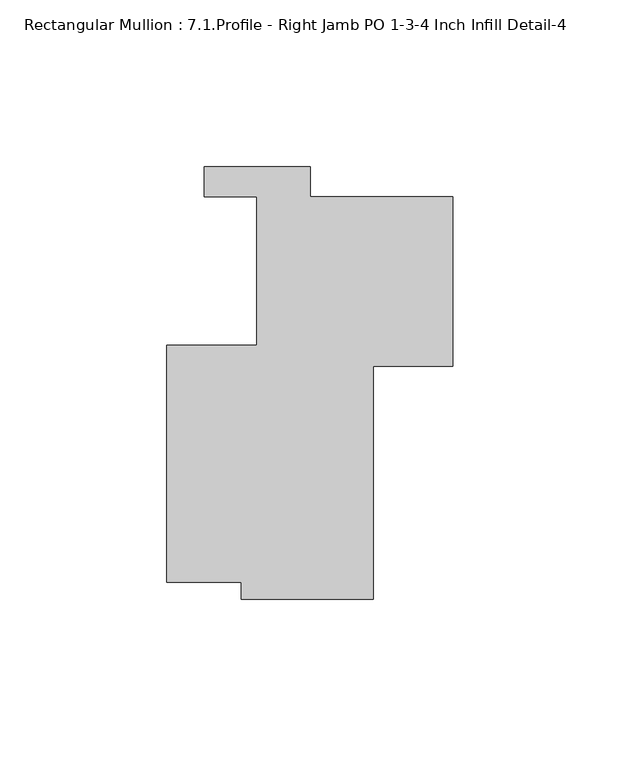
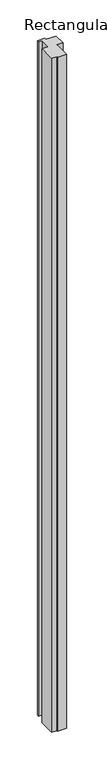
"""IFC4 building model written with IfcOpenShell, lengths in millimetres: member geometry, Rectangular Mullion : 7.1.Profile - Right Jamb PO 1-3-4 Inch Infill Detail-4."""

from ifc_helpers import new_model, si_unit, frame, origin, place, context, project, spatial, polyline, outline, extrude, source, transform, mapped, element, save


def rectangular_mullion_7_1_profile_right_jamb_po_1_3_4_inch_86f258b2(model_context):
    return source(origin(), model_context, "Body", "SweptSolid", [
        extrude(outline(polyline([(-63.4873, -11.5569999), (-85.7123, -11.5569999), (-85.7123, 59.563), (-58.7248005, 59.563), (-58.7248005, 104.0129999), (-74.5584685, 104.0129999), (-74.5584685, 112.9792001), (-42.8084685, 112.9792001), (-42.8084685, 104.013), (0.0, 104.013), (0.0, 53.213), (-23.7998, 53.213), (-23.7998, -16.6409664), (-63.4873, -16.6409664), (-63.4873, -11.5569999)])), frame((0.0, 0.0, -3048.0), z_axis=(0.0, 0.0, 1.0), x_axis=(1.0, 0.0, 0.0)), (0.0, 0.0, 1.0), 3048.0),
    ])


if __name__ == "__main__":
    model = new_model("IFC4")
    model_context = context("Model", 3, world=origin())
    ifc_project = project(units=[si_unit("LENGTHUNIT", "METRE", prefix="MILLI")], contexts=[model_context])
    site = spatial("IfcSite", under=ifc_project)
    building = spatial("IfcBuilding", under=site)
    placement = place(None, origin())
    rectangular_mullion_7_1_profile_right_jamb_po_1_3_4_inch_shape = rectangular_mullion_7_1_profile_right_jamb_po_1_3_4_inch_86f258b2(model_context)
    element("IfcMember", 1, ObjectType="Rectangular Mullion : 7.1.Profile - Right Jamb PO 1-3-4 Inch Infill Detail-4", at=placement, inside=building, context=model_context, shape_type="MappedRepresentation", body=[
        mapped(rectangular_mullion_7_1_profile_right_jamb_po_1_3_4_inch_shape, transform((0.0, 0.0, 0.0), x_axis=(1.0, 0.0, 0.0), y_axis=(0.0, 1.0, 0.0), z_axis=(0.0, 0.0, 1.0))),
    ])
    save(model, "model.ifc")
